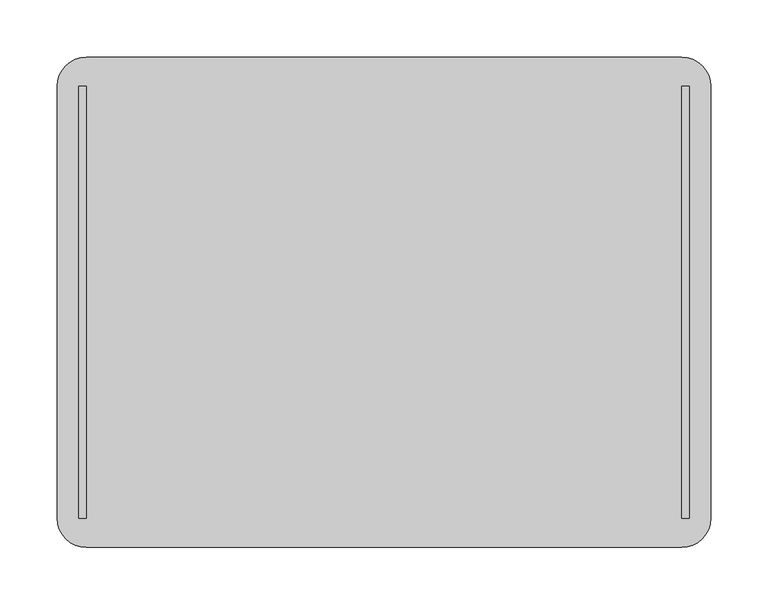
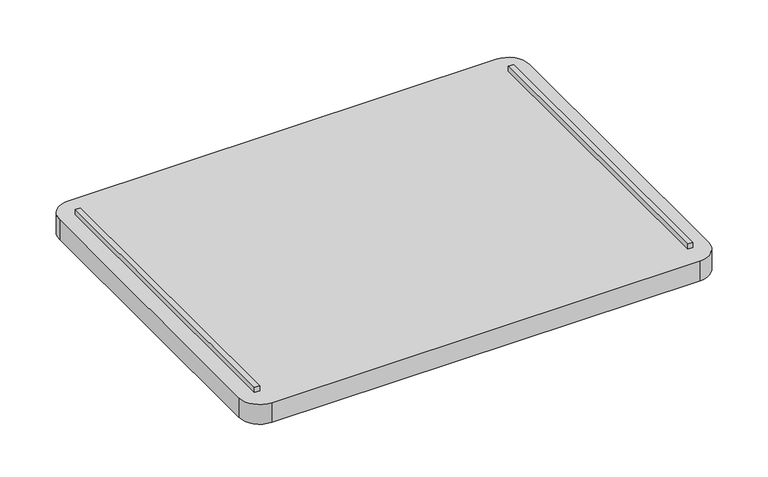
"""IFC4 building model written with IfcOpenShell, lengths in millimetres: furniture geometry."""

from ifc_helpers import new_model, si_unit, point, frame, frame_2d, origin, place, context, project, spatial, polyline, circle_curve, trimmed, segment, composite_curve, outline, extrude, source, transform, mapped, element, save


def furniture_bd2f982a(model_context):
    return source(origin(), model_context, "Body", "SweptSolid", [
        extrude(outline(polyline([(-260.35, -188.9125), (-266.7, -188.9125), (-266.7, 188.9125), (-260.35, 188.9125), (-260.35, -188.9125)])), frame((0.0, 0.0, 615.95), z_axis=(0.0, 0.0, 1.0), x_axis=(1.0, 0.0, 0.0)), (0.0, 0.0, 1.0), 6.35),
        extrude(outline(polyline([(266.7, -188.9125), (260.35, -188.9125), (260.35, 188.9125), (266.7, 188.9125), (266.7, -188.9125)])), frame((0.0, 0.0, 615.95), z_axis=(0.0, 0.0, 1.0), x_axis=(1.0, 0.0, 0.0)), (0.0, 0.0, 1.0), 6.35),
        extrude(outline(composite_curve([segment(trimmed(circle_curve(frame_2d((260.35, 188.9125)), 25.4), [point((260.35, 214.3125))], [point((285.75, 188.9125))], False, "CARTESIAN"), True, "CONTINUOUS"), segment(polyline([(285.75, 188.9125), (285.75, -188.9125)]), True, "CONTINUOUS"), segment(trimmed(circle_curve(frame_2d((260.35, -188.9125)), 25.4), [point((285.75, -188.9125))], [point((260.35, -214.3125))], False, "CARTESIAN"), True, "CONTINUOUS"), segment(polyline([(260.35, -214.3125), (-260.35, -214.3125)]), True, "CONTINUOUS"), segment(trimmed(circle_curve(frame_2d((-260.35, -188.9125)), 25.4), [point((-260.35, -214.3125))], [point((-285.75, -188.9125))], False, "CARTESIAN"), True, "CONTINUOUS"), segment(polyline([(-285.75, -188.9125), (-285.75, 188.9125)]), True, "CONTINUOUS"), segment(trimmed(circle_curve(frame_2d((-260.35, 188.9125)), 25.4), [point((-285.75, 188.9125))], [point((-260.35, 214.3125))], False, "CARTESIAN"), True, "CONTINUOUS"), segment(polyline([(-260.35, 214.3125), (260.35, 214.3125)]), True, "CONTINUOUS")], self_intersect=False)), frame((0.0, 0.0, 590.55), z_axis=(0.0, 0.0, 1.0), x_axis=(1.0, 0.0, 0.0)), (0.0, 0.0, 1.0), 25.4),
    ])


if __name__ == "__main__":
    model = new_model("IFC4")
    model_context = context("Model", 3, world=origin())
    ifc_project = project(units=[si_unit("LENGTHUNIT", "METRE", prefix="MILLI")], contexts=[model_context])
    site = spatial("IfcSite", under=ifc_project)
    building = spatial("IfcBuilding", under=site)
    placement = place(None, origin())
    furniture_shape = furniture_bd2f982a(model_context)
    element("IfcFurniture", 1, at=placement, inside=building, context=model_context, shape_type="MappedRepresentation", body=[
        mapped(furniture_shape, transform((0.0, 0.0, 0.0), x_axis=(1.0, 0.0, 0.0), y_axis=(0.0, 1.0, 0.0), z_axis=(0.0, 0.0, 1.0))),
    ])
    save(model, "model.ifc")
